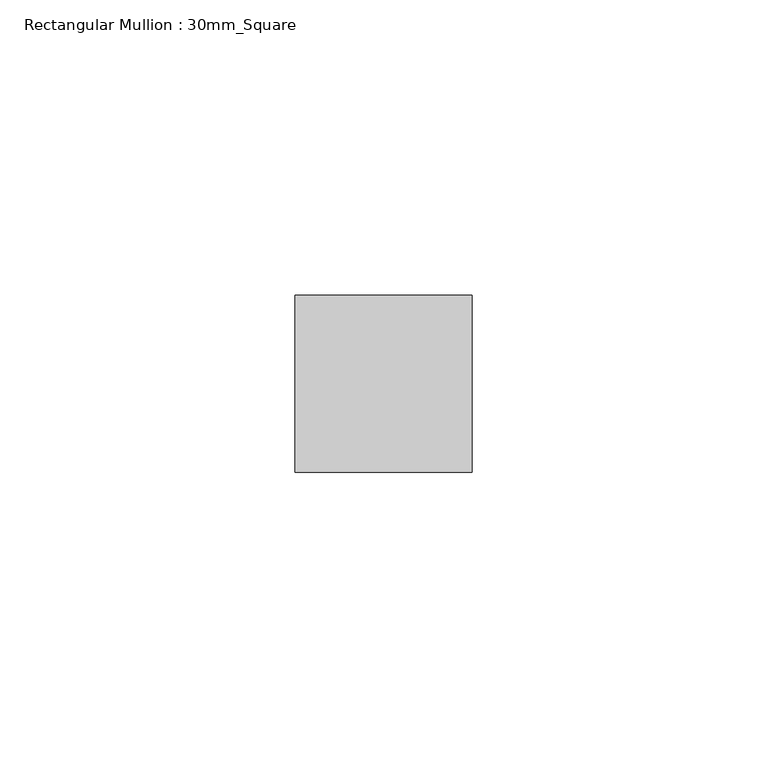
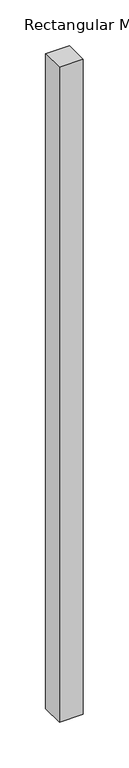
"""IFC4 building model written with IfcOpenShell, lengths in millimetres: member geometry, Rectangular Mullion : 30mm_Square."""

from ifc_helpers import new_model, si_unit, frame, origin, place, context, project, spatial, polyline, outline, extrude, source, transform, mapped, element, save


def rectangular_mullion_30mm_square_7e3af92e(model_context):
    return source(origin(), model_context, "Body", "SweptSolid", [
        extrude(outline(polyline([(0.0, 15.0), (0.0, -15.0), (-30.0, -15.0), (-30.0, 15.0), (0.0, 15.0)])), frame((0.0, 0.0, -872.6923611), z_axis=(0.0, 0.0, 1.0), x_axis=(1.0, 0.0, 0.0)), (0.0, 0.0, 1.0), 872.6923611),
    ])


if __name__ == "__main__":
    model = new_model("IFC4")
    model_context = context("Model", 3, world=origin())
    ifc_project = project(units=[si_unit("LENGTHUNIT", "METRE", prefix="MILLI")], contexts=[model_context])
    site = spatial("IfcSite", under=ifc_project)
    building = spatial("IfcBuilding", under=site)
    placement = place(None, origin())
    rectangular_mullion_30mm_square_shape = rectangular_mullion_30mm_square_7e3af92e(model_context)
    element("IfcMember", 1, ObjectType="Rectangular Mullion : 30mm_Square", at=placement, inside=building, context=model_context, shape_type="MappedRepresentation", body=[
        mapped(rectangular_mullion_30mm_square_shape, transform((0.0, 0.0, 0.0), x_axis=(1.0, 0.0, 0.0), y_axis=(0.0, 1.0, 0.0), z_axis=(0.0, 0.0, 1.0))),
    ])
    save(model, "model.ifc")
